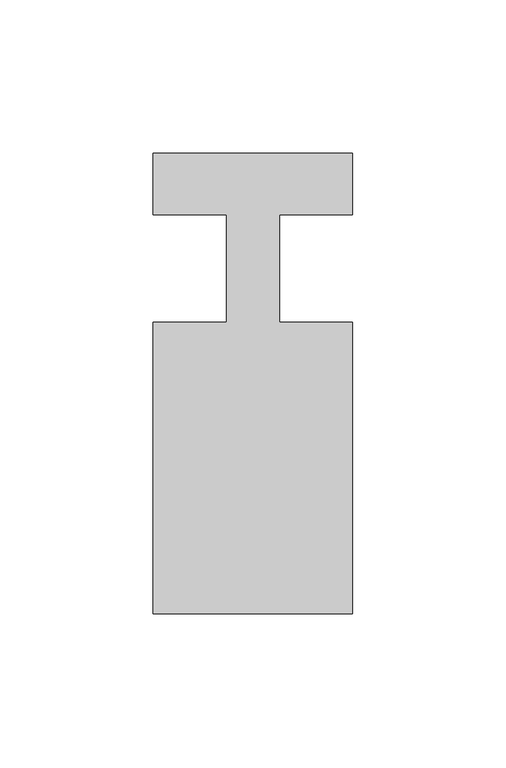
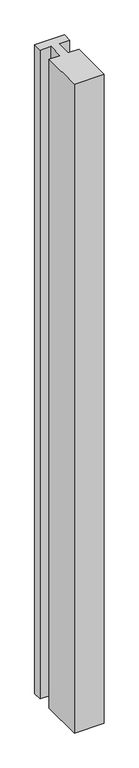
"""IFC4 building model written with IfcOpenShell, lengths in millimetres: member geometry."""

from ifc_helpers import new_model, si_unit, frame, origin, place, context, project, spatial, polyline, outline, extrude, source, transform, mapped, element, save


def member_51c6f8ac(model_context):
    return source(origin(), model_context, "Body", "SweptSolid", [
        extrude(outline(polyline([(-65.0, 37.0), (0.0, 37.0), (0.0, 17.0), (-23.8125, 17.0), (-23.8125, -18.0), (0.0, -18.0), (0.0, -113.0), (-65.0, -113.0), (-65.0, -18.0), (-41.1875, -18.0), (-41.1875, 17.0), (-65.0, 17.0), (-65.0, 37.0)])), frame((0.0, 0.0, -1500.0), z_axis=(0.0, 0.0, 1.0), x_axis=(1.0, 0.0, 0.0)), (0.0, 0.0, 1.0), 1500.0),
    ])


if __name__ == "__main__":
    model = new_model("IFC4")
    model_context = context("Model", 3, world=origin())
    ifc_project = project(units=[si_unit("LENGTHUNIT", "METRE", prefix="MILLI")], contexts=[model_context])
    site = spatial("IfcSite", under=ifc_project)
    building = spatial("IfcBuilding", under=site)
    placement = place(None, origin())
    member_shape = member_51c6f8ac(model_context)
    element("IfcMember", 1, at=placement, inside=building, context=model_context, shape_type="MappedRepresentation", body=[
        mapped(member_shape, transform((0.0, 0.0, 0.0), x_axis=(1.0, 0.0, 0.0), y_axis=(0.0, 1.0, 0.0), z_axis=(0.0, 0.0, 1.0))),
    ])
    save(model, "model.ifc")
